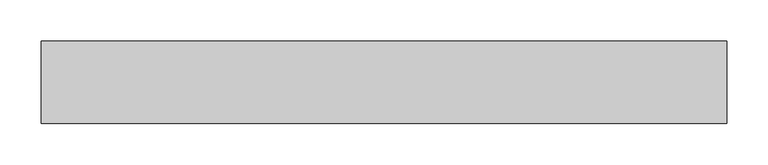
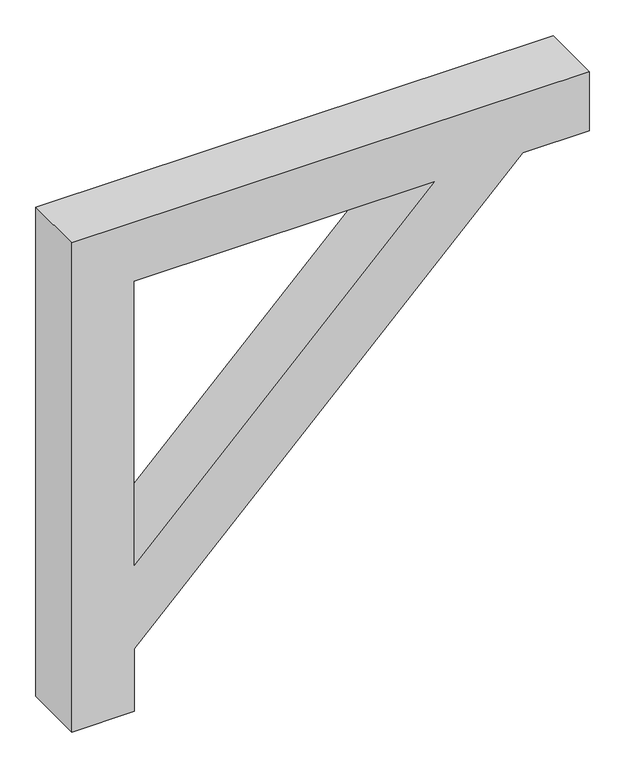
"""IFC4 building model written with IfcOpenShell, lengths in millimetres: proxy geometry."""

from ifc_helpers import new_model, si_unit, frame, origin, place, context, project, spatial, polyline, outline, extrude, source, transform, mapped, element, save


def generic_models_e9a91826(model_context):
    return source(origin(), model_context, "Body", "SweptSolid", [
        extrude(outline(polyline([(980.0, 5834.1270411), (980.0, 5934.1270411), (1086.7258831, 5934.1270411), (1710.0, 6557.401158), (1710.0, 6664.1270411), (1810.0, 6664.1270411), (1810.0, 5834.1270411), (980.0, 5834.1270411)]), holes=[polyline([(1710.0, 5934.1270411), (1710.0, 6415.9798017), (1228.1472394, 5934.1270411), (1710.0, 5934.1270411)])]), frame((0.0, 3329.2068086, 0.0), z_axis=(0.0, 1.0, 0.0), x_axis=(0.0, 0.0, 1.0)), (0.0, 0.0, 1.0), 100.0),
    ])


if __name__ == "__main__":
    model = new_model("IFC4")
    model_context = context("Model", 3, world=origin())
    ifc_project = project(units=[si_unit("LENGTHUNIT", "METRE", prefix="MILLI")], contexts=[model_context])
    site = spatial("IfcSite", under=ifc_project)
    building = spatial("IfcBuilding", under=site)
    placement = place(None, origin())
    generic_models_shape = generic_models_e9a91826(model_context)
    element("IfcBuildingElementProxy", 1, Name="Generic Models", at=placement, inside=building, context=model_context, shape_type="MappedRepresentation", body=[
        mapped(generic_models_shape, transform((0.0, 0.0, 0.0), x_axis=(1.0, 0.0, 0.0), y_axis=(0.0, 1.0, 0.0), z_axis=(0.0, 0.0, 1.0))),
    ])
    save(model, "model.ifc")
